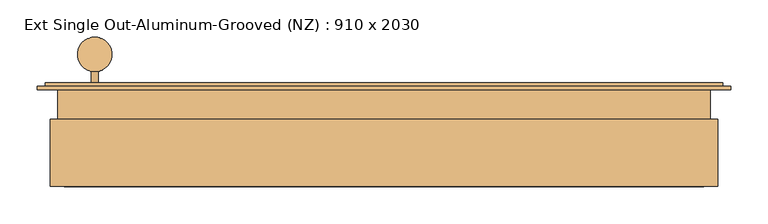
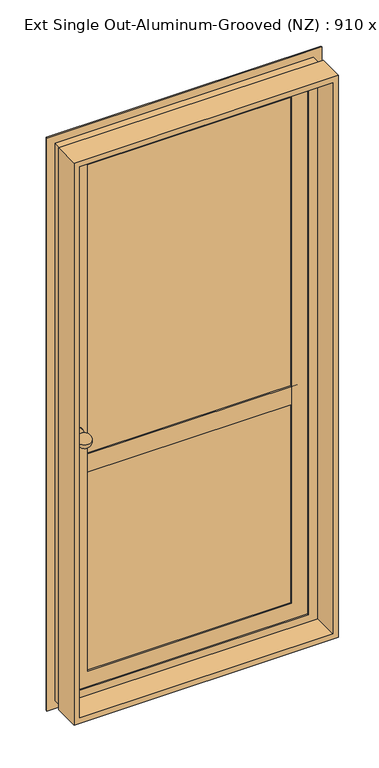
"""IFC4 building model written with IfcOpenShell, lengths in millimetres: door geometry, Ext Single Out-Aluminum-Grooved (NZ) : 910 x 2030."""

import ifcopenshell
import ifcopenshell.guid

model = None  # the IFC model being written
_history = None  # IfcOwnerHistory: only IFC2X3 demands one
_inside = {}  # id of a spatial element -> (the spatial element, [elements in it])
_under = {}  # id of a project, library or spatial element -> (it, [spatial elements below it])
_declared = {}  # id of a project -> (the project, [libraries it declares])
_typed = {}  # id of a type object -> (the type object, [elements of that type])
_made_of = {}  # id of a material, layer set ... -> (it, [elements and type objects made of it])


def new_model(schema):
    """Start an empty IFC model of exactly this schema.

    Asked for "IFC4X3", IfcOpenShell would pick the latest addendum, in which some entities
    have other attributes; the version numbers below select the first issue.
    IFC2X3 requires an IfcOwnerHistory on every rooted entity: one is made here for all.
    """
    global model, _history
    if schema == "IFC4X3":
        model = ifcopenshell.file(schema_version=(4, 3, 0, 0))
    else:
        model = ifcopenshell.file(schema=schema)
    _inside.clear()
    _under.clear()
    _declared.clear()
    _typed.clear()
    _made_of.clear()
    _history = None
    if model.schema == "IFC2X3":
        org = make("IfcOrganization", Name="unknown")
        user = make(
            "IfcPersonAndOrganization",
            ThePerson=make("IfcPerson", FamilyName="unknown"),
            TheOrganization=org,
        )
        app = make(
            "IfcApplication",
            ApplicationDeveloper=org,
            Version="unknown",
            ApplicationFullName="unknown",
            ApplicationIdentifier="unknown",
        )
        _history = make(
            "IfcOwnerHistory",
            OwningUser=user,
            OwningApplication=app,
            ChangeAction="ADDED",
            CreationDate=0,
        )
    return model


def make(cls, **values):
    """One entity of the class cls with the attributes given. An attribute that is None is left unset."""
    return model.create_entity(
        cls, **{name: value for name, value in values.items() if value is not None}
    )


def rooted(cls, **values):
    """An entity with a GlobalId (a new one), such as an element, a storey or a relation."""
    return make(cls, GlobalId=ifcopenshell.guid.new(), OwnerHistory=_history, **values)


def si_unit(unit_type, name, prefix=None):
    """IfcSIUnit, for example si_unit("LENGTHUNIT", "METRE", prefix="MILLI")."""
    return make("IfcSIUnit", UnitType=unit_type, Prefix=prefix, Name=name)


def assignment(units):
    """IfcUnitAssignment: the units of a project."""
    return None if units is None else make("IfcUnitAssignment", Units=units)


def point(xyz):
    """IfcCartesianPoint."""
    return None if xyz is None else make("IfcCartesianPoint", Coordinates=xyz)


def direction(xyz):
    """IfcDirection."""
    return None if xyz is None else make("IfcDirection", DirectionRatios=xyz)


def frame(location, z_axis=None, x_axis=None):
    """IfcAxis2Placement3D, a coordinate frame: its origin and axes. An axis left out is left unset."""
    return make(
        "IfcAxis2Placement3D",
        Location=point(location),
        Axis=direction(z_axis),
        RefDirection=direction(x_axis),
    )


def origin():
    """The frame at (0, 0, 0) with its axes left unset."""
    return frame((0.0, 0.0, 0.0))


def place(relative_to, where):
    """IfcLocalPlacement: puts the frame where relative to a parent placement (None: the world)."""
    return make(
        "IfcLocalPlacement", PlacementRelTo=relative_to, RelativePlacement=where
    )


def context(
    kind, dimensions, precision=None, world=None, true_north=None, identifier=None
):
    """IfcGeometricRepresentationContext, for example the 3D "Model" context."""
    return make(
        "IfcGeometricRepresentationContext",
        ContextIdentifier=identifier,
        ContextType=kind,
        CoordinateSpaceDimension=dimensions,
        Precision=precision,
        WorldCoordinateSystem=world,
        TrueNorth=true_north,
    )


def project(units=None, contexts=None):
    """IfcProject with its units and contexts."""
    return rooted(
        "IfcProject",
        Name="project",
        RepresentationContexts=contexts,
        UnitsInContext=assignment(units),
    )


def spatial(cls, under=None, at=None, **own):
    """A site, building, storey or space (cls), placed at a placement, below another one or the project."""
    s = rooted(cls, ObjectPlacement=at, **own)
    if under is not None:
        _under.setdefault(under.id(), (under, []))[1].append(s)
    return s


def polyline(points):
    """IfcPolyline through the points."""
    return make("IfcPolyline", Points=[point(p) for p in points])


def circle_curve(where, radius):
    """IfcCircle in the frame where."""
    return make("IfcCircle", Position=where, Radius=radius)


def ellipse_curve(where, semi_axis1, semi_axis2):
    """IfcEllipse in the frame where."""
    return make(
        "IfcEllipse", Position=where, SemiAxis1=semi_axis1, SemiAxis2=semi_axis2
    )


def trimmed(basis, trim1, trim2, sense, master):
    """IfcTrimmedCurve: the piece of a basis curve between two trims."""
    return make(
        "IfcTrimmedCurve",
        BasisCurve=basis,
        Trim1=trim1,
        Trim2=trim2,
        SenseAgreement=sense,
        MasterRepresentation=master,
    )


def outline(outer, holes=None, kind="AREA"):
    """IfcArbitraryClosedProfileDef: a profile drawn as a closed curve; with holes, ...WithVoids."""
    if holes is None:
        return make("IfcArbitraryClosedProfileDef", ProfileType=kind, OuterCurve=outer)
    return make(
        "IfcArbitraryProfileDefWithVoids",
        ProfileType=kind,
        OuterCurve=outer,
        InnerCurves=holes,
    )


def extrude(swept, where, along, depth):
    """IfcExtrudedAreaSolid: the profile swept, set in the frame where, extruded along a direction by depth."""
    return make(
        "IfcExtrudedAreaSolid",
        SweptArea=swept,
        Position=where,
        ExtrudedDirection=direction(along),
        Depth=depth,
    )


def faces_of(points, faces, orient=None, outer=None):
    """IfcFace entities. A face is a list of loops; a loop is a list of indices into points, from 0.

    orient and outer hold one flag for each loop. By default every Orientation is true, the
    first loop of a face is its IfcFaceOuterBound and the others are IfcFaceBound.
    """
    made = []
    for i, loops in enumerate(faces):
        bounds = []
        for j, loop in enumerate(loops):
            is_outer = j == 0 if outer is None else outer[i][j]
            bounds.append(
                make(
                    "IfcFaceOuterBound" if is_outer else "IfcFaceBound",
                    Bound=make("IfcPolyLoop", Polygon=[points[k] for k in loop]),
                    Orientation=True if orient is None else orient[i][j],
                )
            )
        made.append(make("IfcFace", Bounds=bounds))
    return made


def faceted_brep(points, faces, orient=None, outer=None, voids=None):
    """IfcFacetedBrep: a solid bounded by flat faces; with voids (closed shells), ...WithVoids."""
    shared = [point(p) for p in points]
    hull = make("IfcClosedShell", CfsFaces=faces_of(shared, faces, orient, outer))
    if voids is None:
        return make("IfcFacetedBrep", Outer=hull)
    return make(
        "IfcFacetedBrepWithVoids",
        Outer=hull,
        Voids=[
            make(cls, CfsFaces=faces_of(shared, fs, o, b)) for cls, fs, o, b in voids
        ],
    )


def shape(context_of_items, identifier, shape_type, items):
    """IfcShapeRepresentation: the items that make up one representation, for example the "Body"."""
    return make(
        "IfcShapeRepresentation",
        ContextOfItems=context_of_items,
        RepresentationIdentifier=identifier,
        RepresentationType=shape_type,
        Items=items,
    )


def source(mapping_origin, context_of_items, identifier, shape_type, items):
    """IfcRepresentationMap: a shape defined once, which mapped items show again and again."""
    return make(
        "IfcRepresentationMap",
        MappingOrigin=mapping_origin,
        MappedRepresentation=shape(context_of_items, identifier, shape_type, items),
    )


def transform(
    local_origin,
    x_axis=None,
    y_axis=None,
    z_axis=None,
    scale=None,
    scale2=None,
    scale3=None,
    uniform=True,
):
    """IfcCartesianTransformationOperator3D, or its non-uniform kind. x_axis, y_axis, z_axis: its Axis1, 2, 3."""
    if uniform:
        return make(
            "IfcCartesianTransformationOperator3D",
            Axis1=direction(x_axis),
            Axis2=direction(y_axis),
            LocalOrigin=point(local_origin),
            Scale=scale,
            Axis3=direction(z_axis),
        )
    return make(
        "IfcCartesianTransformationOperator3DnonUniform",
        Axis1=direction(x_axis),
        Axis2=direction(y_axis),
        LocalOrigin=point(local_origin),
        Scale=scale,
        Axis3=direction(z_axis),
        Scale2=scale2,
        Scale3=scale3,
    )


def mapped(mapping_source, mapping_target):
    """IfcMappedItem: shows the shape of a source again, moved by a transform."""
    return make(
        "IfcMappedItem", MappingSource=mapping_source, MappingTarget=mapping_target
    )


def made_of(thing, what):
    """Note that an element or type object is made of a material, layer set ...; save() writes the relation."""
    if what is not None:
        _made_of.setdefault(what.id(), (what, []))[1].append(thing)
    return thing


def element(
    cls,
    number,
    at=None,
    inside=None,
    cuts=None,
    type_object=None,
    material=None,
    context=None,
    identifier="Body",
    shape_type=None,
    held_by="IfcProductDefinitionShape",
    body=None,
    shapes=None,
    **own,
):
    """One element of the class cls, such as IfcWall. Its Tag is "e" and its number.

    at: its placement. inside: the storey or other place that contains it. cuts: it is an
    opening in that element (IfcRelVoidsElement). A single representation is given by context,
    identifier, shape_type and body (its items); several are given by shapes. held_by: the class
    of the entity that holds the representations. save() writes the other relations.
    """
    e = rooted(cls, Tag="e%d" % number, ObjectPlacement=at, **own)
    if body is not None:
        shapes = [shape(context, identifier, shape_type, body)]
    if shapes is not None:
        e.Representation = make(held_by, Representations=shapes)
    if inside is not None:
        _inside.setdefault(inside.id(), (inside, []))[1].append(e)
    if cuts is not None:
        rooted(
            "IfcRelVoidsElement", RelatingBuildingElement=cuts, RelatedOpeningElement=e
        )
    if type_object is not None:
        _typed.setdefault(type_object.id(), (type_object, []))[1].append(e)
    return made_of(e, material)


def aggregate(whole, parts):
    """IfcRelAggregates: a whole, such as a stair, and the parts it consists of."""
    return rooted("IfcRelAggregates", RelatingObject=whole, RelatedObjects=parts)


def save(model, path):
    """Write the relations noted so far, then the file.

    IfcRelAggregates (storeys below a building ...), IfcRelContainedInSpatialStructure (elements
    in a storey), IfcRelDefinesByType, IfcRelAssociatesMaterial and IfcRelDeclares: one each for
    every whole, place, type object, material and project.
    """
    for whole, parts in _under.values():
        aggregate(whole, parts)
    for where, things in _inside.values():
        rooted(
            "IfcRelContainedInSpatialStructure",
            RelatedElements=things,
            RelatingStructure=where,
        )
    for kind, things in _typed.values():
        rooted("IfcRelDefinesByType", RelatedObjects=things, RelatingType=kind)
    for what, things in _made_of.values():
        rooted("IfcRelAssociatesMaterial", RelatedObjects=things, RelatingMaterial=what)
    for by, libraries in _declared.values():
        rooted("IfcRelDeclares", RelatingContext=by, RelatedDefinitions=libraries)
    model.write(path)


def plane_surface(at):
    """IfcPlane: the flat surface through the origin of the frame at, square to its z axis."""
    return make("IfcPlane", Position=at)


def cylinder_surface(at, radius):
    """IfcCylindricalSurface: all points at the distance radius from the z axis of the frame at."""
    return make("IfcCylindricalSurface", Position=at, Radius=radius)


def revolved_surface(curve, axis_point, axis_direction):
    """IfcSurfaceOfRevolution: the curve turned about the line through axis_point along axis_direction."""
    return make(
        "IfcSurfaceOfRevolution",
        SweptCurve=make("IfcArbitraryOpenProfileDef", ProfileType="CURVE", Curve=curve),
        AxisPosition=make("IfcAxis1Placement", Location=point(axis_point), Axis=direction(axis_direction)),
    )


def advanced_brep(points, edges, surfaces, faces):
    """IfcAdvancedBrep: a solid bounded by faces that lie on surfaces and meet in shared edges.

    An edge is (start, end): straight between two places in points (the first is 0);
    or (start, end, curve); or (start, end, curve, False) where it runs against its curve.
    A face is (place in surfaces, loops), or (place, loops, False) where it looks against
    its surface's normal. A loop lists edges by number (the first is 1), with a minus sign
    where the edge is run from its end to its start. The first loop is the outer one.
    """
    corners = [point(p) for p in points]
    vertices = [make("IfcVertexPoint", VertexGeometry=c) for c in corners]
    made = []
    for start, end, *more in edges:
        made.append(
            make(
                "IfcEdgeCurve",
                EdgeStart=vertices[start],
                EdgeEnd=vertices[end],
                EdgeGeometry=more[0] if more else make("IfcPolyline", Points=[corners[start], corners[end]]),
                SameSense=more[1] if len(more) > 1 else True,
            )
        )
    hull = []
    for where, loops, *sense in faces:
        bounds = []
        for j, loop in enumerate(loops):
            ring = [make("IfcOrientedEdge", EdgeElement=made[abs(k) - 1], Orientation=k > 0) for k in loop]
            bounds.append(
                make(
                    "IfcFaceOuterBound" if j == 0 else "IfcFaceBound",
                    Bound=make("IfcEdgeLoop", EdgeList=ring),
                    Orientation=True,
                )
            )
        hull.append(make("IfcAdvancedFace", Bounds=bounds, FaceSurface=surfaces[where], SameSense=sense[0] if sense else True))
    return make("IfcAdvancedBrep", Outer=make("IfcClosedShell", CfsFaces=hull))


def ext_single_out_aluminum_grooved_nz_910_x_2030_3b8acdd4(model_context):
    return source(origin(), model_context, "Body", "SolidModel", [
        advanced_brep(
        [(-430.0, 62.2734893, 1000.0), (-450.0, 62.2734893, 1000.0), (-410.0, 62.2734893, 1000.0), (-425.0, 82.8183768, 1000.0), (-435.0, 82.8183768, 1000.0), (-430.0, 128.6994132, 1000.0), (-425.0, 67.2734893, 1000.0), (-435.0, 67.2734893, 1000.0), (-410.0, 67.2734893, 1000.0), (-450.0, 67.2734893, 1000.0)],
        [
            (0, 1),
            (1, 2, circle_curve(frame((-430.0, 62.2734893, 1000.0), z_axis=(0.0, -1.0, 0.0), x_axis=(-1.0, 0.0, 0.0)), 20.0)),
            (2, 0),
            (2, 1, circle_curve(frame((-430.0, 62.2734893, 1000.0), z_axis=(0.0, -1.0, 0.0), x_axis=(-1.0, 0.0, 0.0)), 20.0)),
            (3, 4, circle_curve(frame((-430.0, 82.8183768, 1000.0), z_axis=(0.0, 1.0, 0.0), x_axis=(-1.0, 0.0, 0.0)), 5.0)),
            (4, 5, circle_curve(frame((-430.0, 105.4864513, 1000.0), z_axis=(0.0, 0.0, -1.0), x_axis=(0.0, -1.0, 0.0)), 23.2129619)),
            (5, 3, circle_curve(frame((-430.0, 105.4864513, 1000.0), z_axis=(0.0, 0.0, -1.0), x_axis=(0.0, -1.0, 0.0)), 23.2129619)),
            (4, 3, circle_curve(frame((-430.0, 82.8183768, 1000.0), z_axis=(0.0, 1.0, 0.0), x_axis=(-1.0, 0.0, 0.0)), 5.0)),
            (6, 7, circle_curve(frame((-430.0, 67.2734893, 1000.0), z_axis=(0.0, 1.0, 0.0), x_axis=(-1.0, 0.0, 0.0)), 5.0)),
            (7, 4),
            (3, 6),
            (7, 6, circle_curve(frame((-430.0, 67.2734893, 1000.0), z_axis=(0.0, 1.0, 0.0), x_axis=(-1.0, 0.0, 0.0)), 5.0)),
            (8, 9, circle_curve(frame((-430.0, 67.2734893, 1000.0), z_axis=(0.0, 1.0, 0.0), x_axis=(-1.0, 0.0, 0.0)), 20.0)),
            (9, 7),
            (6, 8),
            (9, 8, circle_curve(frame((-430.0, 67.2734893, 1000.0), z_axis=(0.0, 1.0, 0.0), x_axis=(-1.0, 0.0, 0.0)), 20.0)),
            (1, 9),
            (8, 2),
        ],
        [
            plane_surface(frame((-430.0, 62.2734893, 1000.0), z_axis=(0.0, -1.0, 0.0), x_axis=(-1.0, 0.0, 0.0))),
            revolved_surface(trimmed(ellipse_curve(frame((-430.0, 105.4864513, 1000.0), z_axis=(0.0, 0.0, 1.0), x_axis=(0.0, -1.0, 0.0)), 23.2129619, 23.2129619), [point((-430.0, 128.6994132, 1000.0))], [point((-435.0, 82.8183768, 1000.0))], True, "CARTESIAN"), (-430.0, 128.6994132, 1000.0), (0.0, -1.0, 0.0)),
            cylinder_surface(frame((-430.0, 128.6994132, 1000.0), z_axis=(0.0, -1.0, 0.0), x_axis=(-1.0, 0.0, 0.0)), 5.0),
            plane_surface(frame((-430.0, 67.2734893, 1000.0), z_axis=(0.0, 1.0, 0.0), x_axis=(-1.0, 0.0, 0.0))),
            cylinder_surface(frame((-430.0, 128.6994132, 1000.0), z_axis=(0.0, -1.0, 0.0), x_axis=(-1.0, 0.0, 0.0)), 20.0),
        ],
        [
            (0, [[1, 2, 3]]),
            (0, [[-3, 4, -1]]),
            (1, [[5, 6, 7]]),
            (1, [[8, -7, -6]]),
            (2, [[9, 10, -5, 11]]),
            (2, [[12, -11, -8, -10]]),
            (3, [[13, 14, -9, 15]]),
            (3, [[16, -15, -12, -14]]),
            (4, [[-2, 17, -13, 18]]),
            (4, [[-4, -18, -16, -17]]),
        ],
    ),
        advanced_brep(
        [(-410.0, 9.2734893, 1000.0), (-450.0, 9.2734893, 1000.0), (-450.0, 14.2734893, 1000.0), (-410.0, 14.2734893, 1000.0), (-425.0, 9.2734893, 1000.0), (-435.0, 9.2734893, 1000.0), (-425.0, -6.2713981, 1000.0), (-435.0, -6.2713981, 1000.0), (-430.0, -52.1524345, 1000.0), (-430.0, 14.2734893, 1000.0)],
        [
            (0, 1, circle_curve(frame((-430.0, 9.2734893, 1000.0), z_axis=(0.0, 1.0, 0.0), x_axis=(-1.0, 0.0, 0.0)), 20.0)),
            (1, 2),
            (2, 3, circle_curve(frame((-430.0, 14.2734893, 1000.0), z_axis=(0.0, -1.0, 0.0), x_axis=(-1.0, 0.0, 0.0)), 20.0)),
            (3, 0),
            (1, 0, circle_curve(frame((-430.0, 9.2734893, 1000.0), z_axis=(0.0, 1.0, 0.0), x_axis=(-1.0, 0.0, 0.0)), 20.0)),
            (3, 2, circle_curve(frame((-430.0, 14.2734893, 1000.0), z_axis=(0.0, -1.0, 0.0), x_axis=(-1.0, 0.0, 0.0)), 20.0)),
            (4, 5, circle_curve(frame((-430.0, 9.2734893, 1000.0), z_axis=(0.0, 1.0, 0.0), x_axis=(-1.0, 0.0, 0.0)), 5.0)),
            (5, 1),
            (0, 4),
            (5, 4, circle_curve(frame((-430.0, 9.2734893, 1000.0), z_axis=(0.0, 1.0, 0.0), x_axis=(-1.0, 0.0, 0.0)), 5.0)),
            (6, 7, circle_curve(frame((-430.0, -6.2713981, 1000.0), z_axis=(0.0, 1.0, 0.0), x_axis=(-1.0, 0.0, 0.0)), 5.0)),
            (7, 5),
            (4, 6),
            (7, 6, circle_curve(frame((-430.0, -6.2713981, 1000.0), z_axis=(0.0, 1.0, 0.0), x_axis=(-1.0, 0.0, 0.0)), 5.0)),
            (8, 7, circle_curve(frame((-430.0, -28.9394726, 1000.0), z_axis=(0.0, 0.0, -1.0), x_axis=(0.0, -1.0, 0.0)), 23.2129619)),
            (6, 8, circle_curve(frame((-430.0, -28.9394726, 1000.0), z_axis=(0.0, 0.0, -1.0), x_axis=(0.0, -1.0, 0.0)), 23.2129619)),
            (2, 9),
            (9, 3),
        ],
        [
            cylinder_surface(frame((-430.0, 128.6994132, 1000.0), z_axis=(0.0, -1.0, 0.0), x_axis=(-1.0, 0.0, 0.0)), 20.0),
            plane_surface(frame((-430.0, 9.2734893, 1000.0), z_axis=(0.0, -1.0, 0.0), x_axis=(-1.0, 0.0, 0.0))),
            cylinder_surface(frame((-430.0, 128.6994132, 1000.0), z_axis=(0.0, -1.0, 0.0), x_axis=(-1.0, 0.0, 0.0)), 5.0),
            revolved_surface(trimmed(ellipse_curve(frame((-430.0, -28.9394726, 1000.0), z_axis=(0.0, 0.0, 1.0), x_axis=(0.0, -1.0, 0.0)), 23.2129619, 23.2129619), [point((-435.0, -6.2713981, 1000.0))], [point((-430.0, -52.1524345, 1000.0))], True, "CARTESIAN"), (-430.0, 128.6994132, 1000.0), (0.0, -1.0, 0.0)),
            plane_surface(frame((-430.0, 14.2734893, 1000.0), z_axis=(0.0, 1.0, 0.0), x_axis=(-1.0, 0.0, 0.0))),
        ],
        [
            (0, [[1, 2, 3, 4]]),
            (0, [[5, -4, 6, -2]]),
            (1, [[7, 8, -1, 9]]),
            (1, [[10, -9, -5, -8]]),
            (2, [[11, 12, -7, 13]]),
            (2, [[14, -13, -10, -12]]),
            (3, [[15, -11, 16]]),
            (3, [[-16, -14, -15]]),
            (4, [[-3, 17, 18]]),
            (4, [[-6, -18, -17]]),
        ],
    ),
        faceted_brep([(-480.0, 57.5, 30.0), (-480.0, 17.5, 30.0), (-480.0, 17.5, 2035.0), (-480.0, 57.5, 2035.0), (-507.6806291, 62.2734893, 2.3193709), (-507.6806291, 57.5, 2.3193709), (-507.6806291, 57.5, 2062.6806291), (-507.6806291, 62.2734893, 2062.6806291), (-474.9666646, 57.5, 35.0333354), (-474.9666646, 62.2734893, 35.0333354), (-474.9666646, 62.2734893, 2029.9666646), (-474.9666646, 57.5, 2029.9666646), (-469.6382174, 22.3384626, 40.3617826), (-469.6382174, 57.5, 40.3617826), (-469.6382174, 57.5, 2024.6382174), (-469.6382174, 22.3384626, 2024.6382174), (-440.0, 17.5, 70.0), (-440.0, 22.3384626, 70.0), (-440.0, 22.3384626, 1995.0), (-440.0, 17.5, 1995.0), (400.0, 17.5, 2035.0), (400.0, 57.5, 2035.0), (427.6806291, 57.5, 2062.6806291), (427.6806291, 62.2734893, 2062.6806291), (394.9666646, 62.2734893, 2029.9666646), (394.9666646, 57.5, 2029.9666646), (389.6382174, 57.5, 2024.6382174), (389.6382174, 22.3384626, 2024.6382174), (360.0, 22.3384626, 1995.0), (360.0, 17.5, 1995.0), (400.0, 17.5, 30.0), (400.0, 57.5, 30.0), (427.6806291, 57.5, 2.3193709), (427.6806291, 62.2734893, 2.3193709), (394.9666646, 62.2734893, 35.0333354), (394.9666646, 57.5, 35.0333354), (389.6382174, 57.5, 40.3617826), (389.6382174, 22.3384626, 40.3617826), (360.0, 22.3384626, 70.0), (360.0, 17.5, 70.0)], [[[0, 1, 2, 3]], [[4, 5, 6, 7]], [[8, 9, 10, 11]], [[12, 13, 14, 15]], [[16, 17, 18, 19]], [[3, 2, 20, 21]], [[7, 6, 22, 23]], [[11, 10, 24, 25]], [[15, 14, 26, 27]], [[19, 18, 28, 29]], [[21, 20, 30, 31]], [[23, 22, 32, 33]], [[25, 24, 34, 35]], [[27, 26, 36, 37]], [[29, 28, 38, 39]], [[31, 30, 1, 0]], [[5, 32, 22, 6], [3, 21, 31, 0]], [[33, 32, 5, 4]], [[7, 23, 33, 4], [9, 34, 24, 10]], [[35, 34, 9, 8]], [[11, 25, 35, 8], [13, 36, 26, 14]], [[37, 36, 13, 12]], [[15, 27, 37, 12], [17, 38, 28, 18]], [[39, 38, 17, 16]], [[1, 30, 20, 2], [19, 29, 39, 16]]]),
        extrude(outline(polyline([(25.0, -490.0), (25.0, 410.0), (2045.0, 410.0), (2045.0, -490.0), (25.0, -490.0)]), holes=[polyline([(2025.9969847, -470.9969847), (2025.9969847, 390.9969847), (44.0030153, 390.9969847), (44.0030153, -470.9969847), (2025.9969847, -470.9969847)])]), frame((0.0, -72.5, 0.0), z_axis=(0.0, 1.0, 0.0), x_axis=(0.0, 0.0, 1.0)), (0.0, 0.0, 1.0), 90.6742273),
        extrude(outline(polyline([(307.3189571, 32.5), (-387.3189571, 32.5), (-387.3189571, 37.5), (307.3189571, 37.5), (307.3189571, 32.5)])), frame((0.0, 0.0, 122.6810429), z_axis=(0.0, 0.0, 1.0), x_axis=(1.0, 0.0, 0.0)), (0.0, 0.0, 1.0), 1819.6379143),
        faceted_brep([(-467.3189571, 62.2734893, 42.6810429), (-467.3189571, 26.7968021, 42.6810429), (-467.3189571, 26.7968021, 2022.3189571), (-467.3189571, 62.2734893, 2022.3189571), (-496.5692748, 67.4610686, 13.4307252), (-496.5692748, 62.2734893, 13.4307252), (-496.5692748, 62.2734893, 2051.5692748), (-496.5692748, 67.4610686, 2051.5692748), (-461.5692748, 62.2734893, 48.4307252), (-461.5692748, 67.4610686, 48.4307252), (-461.5692748, 67.4610686, 2016.5692748), (-461.5692748, 62.2734893, 2016.5692748), (-387.3189571, 45.4474839, 122.6810429), (-405.3752431, 62.2734893, 104.6247569), (-405.3752431, 62.2734893, 1960.3752431), (-387.3189571, 45.4474839, 1942.3189571), (-387.3189571, 26.7968021, 122.6810429), (-387.3189571, 26.7968021, 1942.3189571), (387.3189571, 26.7968021, 2022.3189571), (387.3189571, 62.2734893, 2022.3189571), (416.5692748, 62.2734893, 2051.5692748), (416.5692748, 67.4610686, 2051.5692748), (381.5692748, 67.4610686, 2016.5692748), (381.5692748, 62.2734893, 2016.5692748), (325.3752431, 62.2734893, 1960.3752431), (307.3189571, 45.4474839, 1942.3189571), (307.3189571, 26.7968021, 1942.3189571), (387.3189571, 26.7968021, 42.6810429), (387.3189571, 62.2734893, 42.6810429), (416.5692748, 62.2734893, 13.4307252), (416.5692748, 67.4610686, 13.4307252), (381.5692748, 67.4610686, 48.4307252), (381.5692748, 62.2734893, 48.4307252), (325.3752431, 62.2734893, 104.6247569), (307.3189571, 45.4474839, 122.6810429), (307.3189571, 26.7968021, 122.6810429)], [[[0, 1, 2, 3]], [[4, 5, 6, 7]], [[8, 9, 10, 11]], [[12, 13, 14, 15]], [[16, 12, 15, 17]], [[3, 2, 18, 19]], [[7, 6, 20, 21]], [[11, 10, 22, 23]], [[15, 14, 24, 25]], [[17, 15, 25, 26]], [[19, 18, 27, 28]], [[21, 20, 29, 30]], [[23, 22, 31, 32]], [[25, 24, 33, 34]], [[26, 25, 34, 35]], [[1, 27, 18, 2], [17, 26, 35, 16]], [[28, 27, 1, 0]], [[5, 29, 20, 6], [3, 19, 28, 0]], [[30, 29, 5, 4]], [[7, 21, 30, 4], [9, 31, 22, 10]], [[32, 31, 9, 8]], [[11, 23, 32, 8], [13, 33, 24, 14]], [[34, 33, 13, 12]], [[35, 34, 12, 16]]]),
        extrude(outline(polyline([(26.7968021, 902.9474839), (45.0300276, 902.9474839), (62.2734893, 885.7040221), (62.2734893, 854.7734893), (45.4474839, 837.9474839), (26.7968021, 837.9474839), (26.7968021, 902.9474839)])), frame((-405.3752431, 0.0, 0.0), z_axis=(1.0, 0.0, 0.0), x_axis=(0.0, 1.0, 0.0)), (0.0, 0.0, 1.0), 730.7504863),
    ])


if __name__ == "__main__":
    model = new_model("IFC4")
    model_context = context("Model", 3, world=origin())
    ifc_project = project(units=[si_unit("LENGTHUNIT", "METRE", prefix="MILLI")], contexts=[model_context])
    site = spatial("IfcSite", under=ifc_project)
    building = spatial("IfcBuilding", under=site)
    placement = place(None, origin())
    ext_single_out_aluminum_grooved_nz_910_x_2030_shape = ext_single_out_aluminum_grooved_nz_910_x_2030_3b8acdd4(model_context)
    element("IfcDoor", 1, ObjectType="Ext Single Out-Aluminum-Grooved (NZ) : 910 x 2030", at=placement, inside=building, context=model_context, shape_type="MappedRepresentation", body=[
        mapped(ext_single_out_aluminum_grooved_nz_910_x_2030_shape, transform((0.0, 0.0, 0.0), x_axis=(1.0, 0.0, 0.0), y_axis=(0.0, 1.0, 0.0), z_axis=(0.0, 0.0, 1.0))),
    ])
    save(model, "model.ifc")
